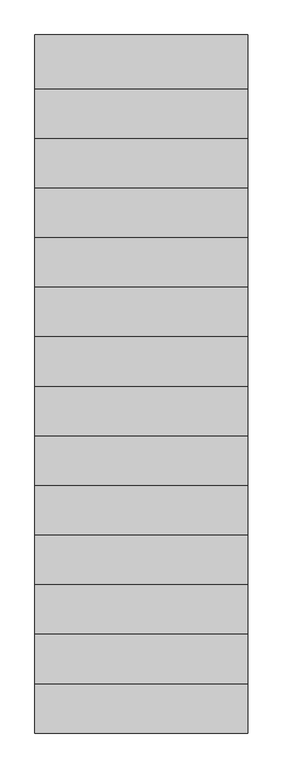
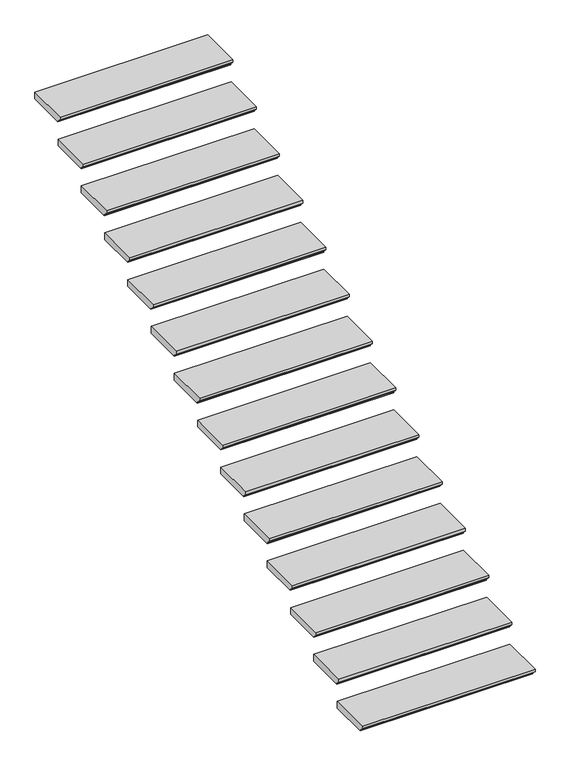
"""IFC4 building model written with IfcOpenShell, lengths in millimetres: stair flight geometry."""

from ifc_helpers import new_model, si_unit, frame, origin, place, context, project, spatial, polyline, outline, extrude, source, transform, mapped, element, save


def stair_flight_09d6b21e(model_context):
    return source(origin(), model_context, "Body", "SweptSolid", [
        extrude(outline(polyline([(-4352.061673, 174.4133333), (-4049.661673, 174.4133333), (-4049.661673, 124.4133333), (-4326.661673, 124.4133333), (-4326.661673, 129.9633333), (-4352.061673, 155.3633333), (-4352.061673, 174.4133333)])), frame((8824.3319622, 0.0, 0.0), z_axis=(1.0, 0.0, 0.0), x_axis=(0.0, 1.0, 0.0)), (0.0, 0.0, 1.0), 1200.0),
        extrude(outline(polyline([(-4072.661673, 348.8266667), (-3770.261673, 348.8266667), (-3770.261673, 298.8266667), (-4047.261673, 298.8266667), (-4047.261673, 304.3766667), (-4072.661673, 329.7766667), (-4072.661673, 348.8266667)])), frame((8824.3319622, 0.0, 0.0), z_axis=(1.0, 0.0, 0.0), x_axis=(0.0, 1.0, 0.0)), (0.0, 0.0, 1.0), 1200.0),
        extrude(outline(polyline([(-3793.261673, 523.24), (-3490.861673, 523.24), (-3490.861673, 473.24), (-3767.861673, 473.24), (-3767.861673, 478.79), (-3793.261673, 504.19), (-3793.261673, 523.24)])), frame((8824.3319622, 0.0, 0.0), z_axis=(1.0, 0.0, 0.0), x_axis=(0.0, 1.0, 0.0)), (0.0, 0.0, 1.0), 1200.0),
        extrude(outline(polyline([(-3513.861673, 697.6533333), (-3211.461673, 697.6533333), (-3211.461673, 647.6533333), (-3488.461673, 647.6533333), (-3488.461673, 653.2033333), (-3513.861673, 678.6033333), (-3513.861673, 697.6533333)])), frame((8824.3319622, 0.0, 0.0), z_axis=(1.0, 0.0, 0.0), x_axis=(0.0, 1.0, 0.0)), (0.0, 0.0, 1.0), 1200.0),
        extrude(outline(polyline([(-3234.461673, 872.0666667), (-2932.061673, 872.0666667), (-2932.061673, 822.0666667), (-3209.061673, 822.0666667), (-3209.061673, 827.6166667), (-3234.461673, 853.0166667), (-3234.461673, 872.0666667)])), frame((8824.3319622, 0.0, 0.0), z_axis=(1.0, 0.0, 0.0), x_axis=(0.0, 1.0, 0.0)), (0.0, 0.0, 1.0), 1200.0),
        extrude(outline(polyline([(-2955.061673, 1046.48), (-2652.661673, 1046.48), (-2652.661673, 996.48), (-2929.661673, 996.48), (-2929.661673, 1002.03), (-2955.061673, 1027.43), (-2955.061673, 1046.48)])), frame((8824.3319622, 0.0, 0.0), z_axis=(1.0, 0.0, 0.0), x_axis=(0.0, 1.0, 0.0)), (0.0, 0.0, 1.0), 1200.0),
        extrude(outline(polyline([(-2675.661673, 1220.8933333), (-2373.261673, 1220.8933333), (-2373.261673, 1170.8933333), (-2650.261673, 1170.8933333), (-2650.261673, 1176.4433333), (-2675.661673, 1201.8433333), (-2675.661673, 1220.8933333)])), frame((8824.3319622, 0.0, 0.0), z_axis=(1.0, 0.0, 0.0), x_axis=(0.0, 1.0, 0.0)), (0.0, 0.0, 1.0), 1200.0),
        extrude(outline(polyline([(-2396.261673, 1395.3066667), (-2093.861673, 1395.3066667), (-2093.861673, 1345.3066667), (-2370.861673, 1345.3066667), (-2370.861673, 1350.8566667), (-2396.261673, 1376.2566667), (-2396.261673, 1395.3066667)])), frame((8824.3319622, 0.0, 0.0), z_axis=(1.0, 0.0, 0.0), x_axis=(0.0, 1.0, 0.0)), (0.0, 0.0, 1.0), 1200.0),
        extrude(outline(polyline([(-2116.861673, 1569.72), (-1814.461673, 1569.72), (-1814.461673, 1519.72), (-2091.461673, 1519.72), (-2091.461673, 1525.27), (-2116.861673, 1550.67), (-2116.861673, 1569.72)])), frame((8824.3319622, 0.0, 0.0), z_axis=(1.0, 0.0, 0.0), x_axis=(0.0, 1.0, 0.0)), (0.0, 0.0, 1.0), 1200.0),
        extrude(outline(polyline([(-1837.461673, 1744.1333333), (-1535.061673, 1744.1333333), (-1535.061673, 1694.1333333), (-1812.061673, 1694.1333333), (-1812.061673, 1699.6833333), (-1837.461673, 1725.0833333), (-1837.461673, 1744.1333333)])), frame((8824.3319622, 0.0, 0.0), z_axis=(1.0, 0.0, 0.0), x_axis=(0.0, 1.0, 0.0)), (0.0, 0.0, 1.0), 1200.0),
        extrude(outline(polyline([(-1558.061673, 1918.5466667), (-1255.661673, 1918.5466667), (-1255.661673, 1868.5466667), (-1532.661673, 1868.5466667), (-1532.661673, 1874.0966667), (-1558.061673, 1899.4966667), (-1558.061673, 1918.5466667)])), frame((8824.3319622, 0.0, 0.0), z_axis=(1.0, 0.0, 0.0), x_axis=(0.0, 1.0, 0.0)), (0.0, 0.0, 1.0), 1200.0),
        extrude(outline(polyline([(-1278.661673, 2092.96), (-976.261673, 2092.96), (-976.261673, 2042.96), (-1253.261673, 2042.96), (-1253.261673, 2048.51), (-1278.661673, 2073.91), (-1278.661673, 2092.96)])), frame((8824.3319622, 0.0, 0.0), z_axis=(1.0, 0.0, 0.0), x_axis=(0.0, 1.0, 0.0)), (0.0, 0.0, 1.0), 1200.0),
        extrude(outline(polyline([(-999.261673, 2267.3733333), (-696.861673, 2267.3733333), (-696.861673, 2217.3733333), (-973.861673, 2217.3733333), (-973.861673, 2222.9233333), (-999.261673, 2248.3233333), (-999.261673, 2267.3733333)])), frame((8824.3319622, 0.0, 0.0), z_axis=(1.0, 0.0, 0.0), x_axis=(0.0, 1.0, 0.0)), (0.0, 0.0, 1.0), 1200.0),
        extrude(outline(polyline([(-719.861673, 2441.7866667), (-417.461673, 2441.7866667), (-417.461673, 2391.7866667), (-694.461673, 2391.7866667), (-694.461673, 2397.3366667), (-719.861673, 2422.7366667), (-719.861673, 2441.7866667)])), frame((8824.3319622, 0.0, 0.0), z_axis=(1.0, 0.0, 0.0), x_axis=(0.0, 1.0, 0.0)), (0.0, 0.0, 1.0), 1200.0),
    ])


if __name__ == "__main__":
    model = new_model("IFC4")
    model_context = context("Model", 3, world=origin())
    ifc_project = project(units=[si_unit("LENGTHUNIT", "METRE", prefix="MILLI")], contexts=[model_context])
    site = spatial("IfcSite", under=ifc_project)
    building = spatial("IfcBuilding", under=site)
    placement = place(None, origin())
    stair_flight_shape = stair_flight_09d6b21e(model_context)
    element("IfcStairFlight", 1, at=placement, inside=building, context=model_context, shape_type="MappedRepresentation", body=[
        mapped(stair_flight_shape, transform((0.0, 0.0, 0.0), x_axis=(1.0, 0.0, 0.0), y_axis=(0.0, 1.0, 0.0), z_axis=(0.0, 0.0, 1.0))),
    ])
    save(model, "model.ifc")
